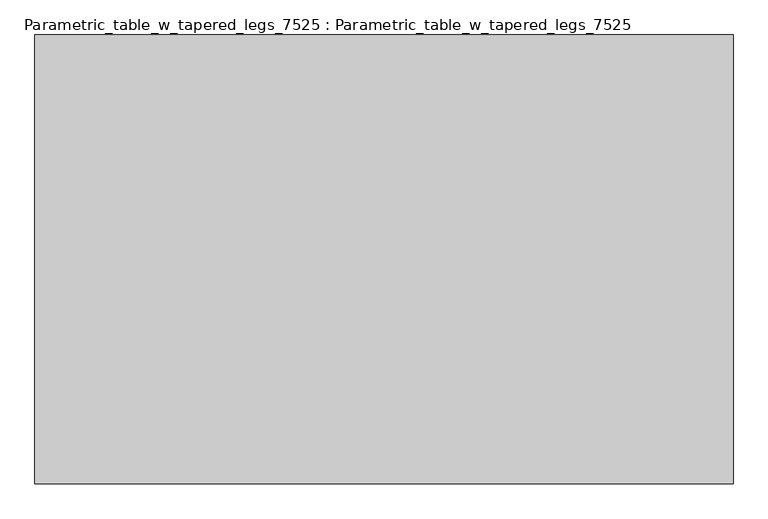
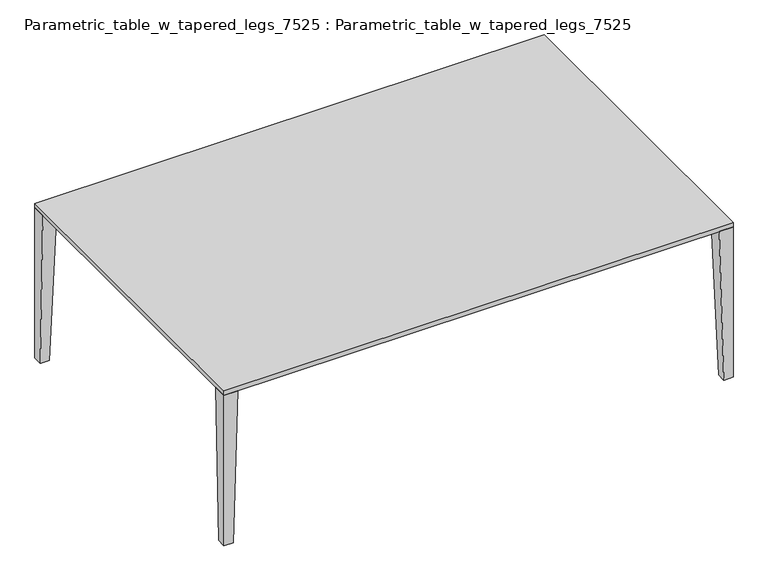
"""IFC4 building model written with IfcOpenShell, lengths in millimetres: furniture geometry, Parametric_table_w_tapered_legs_7525 : Parametric_table_w_tapered_legs_7525."""

import ifcopenshell
import ifcopenshell.guid

model = None  # the IFC model being written
_history = None  # IfcOwnerHistory: only IFC2X3 demands one
_inside = {}  # id of a spatial element -> (the spatial element, [elements in it])
_under = {}  # id of a project, library or spatial element -> (it, [spatial elements below it])
_declared = {}  # id of a project -> (the project, [libraries it declares])
_typed = {}  # id of a type object -> (the type object, [elements of that type])
_made_of = {}  # id of a material, layer set ... -> (it, [elements and type objects made of it])


def new_model(schema):
    """Start an empty IFC model of exactly this schema.

    Asked for "IFC4X3", IfcOpenShell would pick the latest addendum, in which some entities
    have other attributes; the version numbers below select the first issue.
    IFC2X3 requires an IfcOwnerHistory on every rooted entity: one is made here for all.
    """
    global model, _history
    if schema == "IFC4X3":
        model = ifcopenshell.file(schema_version=(4, 3, 0, 0))
    else:
        model = ifcopenshell.file(schema=schema)
    _inside.clear()
    _under.clear()
    _declared.clear()
    _typed.clear()
    _made_of.clear()
    _history = None
    if model.schema == "IFC2X3":
        org = make("IfcOrganization", Name="unknown")
        user = make(
            "IfcPersonAndOrganization",
            ThePerson=make("IfcPerson", FamilyName="unknown"),
            TheOrganization=org,
        )
        app = make(
            "IfcApplication",
            ApplicationDeveloper=org,
            Version="unknown",
            ApplicationFullName="unknown",
            ApplicationIdentifier="unknown",
        )
        _history = make(
            "IfcOwnerHistory",
            OwningUser=user,
            OwningApplication=app,
            ChangeAction="ADDED",
            CreationDate=0,
        )
    return model


def make(cls, **values):
    """One entity of the class cls with the attributes given. An attribute that is None is left unset."""
    return model.create_entity(
        cls, **{name: value for name, value in values.items() if value is not None}
    )


def rooted(cls, **values):
    """An entity with a GlobalId (a new one), such as an element, a storey or a relation."""
    return make(cls, GlobalId=ifcopenshell.guid.new(), OwnerHistory=_history, **values)


def si_unit(unit_type, name, prefix=None):
    """IfcSIUnit, for example si_unit("LENGTHUNIT", "METRE", prefix="MILLI")."""
    return make("IfcSIUnit", UnitType=unit_type, Prefix=prefix, Name=name)


def assignment(units):
    """IfcUnitAssignment: the units of a project."""
    return None if units is None else make("IfcUnitAssignment", Units=units)


def point(xyz):
    """IfcCartesianPoint."""
    return None if xyz is None else make("IfcCartesianPoint", Coordinates=xyz)


def direction(xyz):
    """IfcDirection."""
    return None if xyz is None else make("IfcDirection", DirectionRatios=xyz)


def frame(location, z_axis=None, x_axis=None):
    """IfcAxis2Placement3D, a coordinate frame: its origin and axes. An axis left out is left unset."""
    return make(
        "IfcAxis2Placement3D",
        Location=point(location),
        Axis=direction(z_axis),
        RefDirection=direction(x_axis),
    )


def origin():
    """The frame at (0, 0, 0) with its axes left unset."""
    return frame((0.0, 0.0, 0.0))


def place(relative_to, where):
    """IfcLocalPlacement: puts the frame where relative to a parent placement (None: the world)."""
    return make(
        "IfcLocalPlacement", PlacementRelTo=relative_to, RelativePlacement=where
    )


def context(
    kind, dimensions, precision=None, world=None, true_north=None, identifier=None
):
    """IfcGeometricRepresentationContext, for example the 3D "Model" context."""
    return make(
        "IfcGeometricRepresentationContext",
        ContextIdentifier=identifier,
        ContextType=kind,
        CoordinateSpaceDimension=dimensions,
        Precision=precision,
        WorldCoordinateSystem=world,
        TrueNorth=true_north,
    )


def project(units=None, contexts=None):
    """IfcProject with its units and contexts."""
    return rooted(
        "IfcProject",
        Name="project",
        RepresentationContexts=contexts,
        UnitsInContext=assignment(units),
    )


def spatial(cls, under=None, at=None, **own):
    """A site, building, storey or space (cls), placed at a placement, below another one or the project."""
    s = rooted(cls, ObjectPlacement=at, **own)
    if under is not None:
        _under.setdefault(under.id(), (under, []))[1].append(s)
    return s


def polyline(points):
    """IfcPolyline through the points."""
    return make("IfcPolyline", Points=[point(p) for p in points])


def outline(outer, holes=None, kind="AREA"):
    """IfcArbitraryClosedProfileDef: a profile drawn as a closed curve; with holes, ...WithVoids."""
    if holes is None:
        return make("IfcArbitraryClosedProfileDef", ProfileType=kind, OuterCurve=outer)
    return make(
        "IfcArbitraryProfileDefWithVoids",
        ProfileType=kind,
        OuterCurve=outer,
        InnerCurves=holes,
    )


def extrude(swept, where, along, depth):
    """IfcExtrudedAreaSolid: the profile swept, set in the frame where, extruded along a direction by depth."""
    return make(
        "IfcExtrudedAreaSolid",
        SweptArea=swept,
        Position=where,
        ExtrudedDirection=direction(along),
        Depth=depth,
    )


def faces_of(points, faces, orient=None, outer=None):
    """IfcFace entities. A face is a list of loops; a loop is a list of indices into points, from 0.

    orient and outer hold one flag for each loop. By default every Orientation is true, the
    first loop of a face is its IfcFaceOuterBound and the others are IfcFaceBound.
    """
    made = []
    for i, loops in enumerate(faces):
        bounds = []
        for j, loop in enumerate(loops):
            is_outer = j == 0 if outer is None else outer[i][j]
            bounds.append(
                make(
                    "IfcFaceOuterBound" if is_outer else "IfcFaceBound",
                    Bound=make("IfcPolyLoop", Polygon=[points[k] for k in loop]),
                    Orientation=True if orient is None else orient[i][j],
                )
            )
        made.append(make("IfcFace", Bounds=bounds))
    return made


def faceted_brep(points, faces, orient=None, outer=None, voids=None):
    """IfcFacetedBrep: a solid bounded by flat faces; with voids (closed shells), ...WithVoids."""
    shared = [point(p) for p in points]
    hull = make("IfcClosedShell", CfsFaces=faces_of(shared, faces, orient, outer))
    if voids is None:
        return make("IfcFacetedBrep", Outer=hull)
    return make(
        "IfcFacetedBrepWithVoids",
        Outer=hull,
        Voids=[
            make(cls, CfsFaces=faces_of(shared, fs, o, b)) for cls, fs, o, b in voids
        ],
    )


def shape(context_of_items, identifier, shape_type, items):
    """IfcShapeRepresentation: the items that make up one representation, for example the "Body"."""
    return make(
        "IfcShapeRepresentation",
        ContextOfItems=context_of_items,
        RepresentationIdentifier=identifier,
        RepresentationType=shape_type,
        Items=items,
    )


def source(mapping_origin, context_of_items, identifier, shape_type, items):
    """IfcRepresentationMap: a shape defined once, which mapped items show again and again."""
    return make(
        "IfcRepresentationMap",
        MappingOrigin=mapping_origin,
        MappedRepresentation=shape(context_of_items, identifier, shape_type, items),
    )


def transform(
    local_origin,
    x_axis=None,
    y_axis=None,
    z_axis=None,
    scale=None,
    scale2=None,
    scale3=None,
    uniform=True,
):
    """IfcCartesianTransformationOperator3D, or its non-uniform kind. x_axis, y_axis, z_axis: its Axis1, 2, 3."""
    if uniform:
        return make(
            "IfcCartesianTransformationOperator3D",
            Axis1=direction(x_axis),
            Axis2=direction(y_axis),
            LocalOrigin=point(local_origin),
            Scale=scale,
            Axis3=direction(z_axis),
        )
    return make(
        "IfcCartesianTransformationOperator3DnonUniform",
        Axis1=direction(x_axis),
        Axis2=direction(y_axis),
        LocalOrigin=point(local_origin),
        Scale=scale,
        Axis3=direction(z_axis),
        Scale2=scale2,
        Scale3=scale3,
    )


def mapped(mapping_source, mapping_target):
    """IfcMappedItem: shows the shape of a source again, moved by a transform."""
    return make(
        "IfcMappedItem", MappingSource=mapping_source, MappingTarget=mapping_target
    )


def made_of(thing, what):
    """Note that an element or type object is made of a material, layer set ...; save() writes the relation."""
    if what is not None:
        _made_of.setdefault(what.id(), (what, []))[1].append(thing)
    return thing


def element(
    cls,
    number,
    at=None,
    inside=None,
    cuts=None,
    type_object=None,
    material=None,
    context=None,
    identifier="Body",
    shape_type=None,
    held_by="IfcProductDefinitionShape",
    body=None,
    shapes=None,
    **own,
):
    """One element of the class cls, such as IfcWall. Its Tag is "e" and its number.

    at: its placement. inside: the storey or other place that contains it. cuts: it is an
    opening in that element (IfcRelVoidsElement). A single representation is given by context,
    identifier, shape_type and body (its items); several are given by shapes. held_by: the class
    of the entity that holds the representations. save() writes the other relations.
    """
    e = rooted(cls, Tag="e%d" % number, ObjectPlacement=at, **own)
    if body is not None:
        shapes = [shape(context, identifier, shape_type, body)]
    if shapes is not None:
        e.Representation = make(held_by, Representations=shapes)
    if inside is not None:
        _inside.setdefault(inside.id(), (inside, []))[1].append(e)
    if cuts is not None:
        rooted(
            "IfcRelVoidsElement", RelatingBuildingElement=cuts, RelatedOpeningElement=e
        )
    if type_object is not None:
        _typed.setdefault(type_object.id(), (type_object, []))[1].append(e)
    return made_of(e, material)


def aggregate(whole, parts):
    """IfcRelAggregates: a whole, such as a stair, and the parts it consists of."""
    return rooted("IfcRelAggregates", RelatingObject=whole, RelatedObjects=parts)


def save(model, path):
    """Write the relations noted so far, then the file.

    IfcRelAggregates (storeys below a building ...), IfcRelContainedInSpatialStructure (elements
    in a storey), IfcRelDefinesByType, IfcRelAssociatesMaterial and IfcRelDeclares: one each for
    every whole, place, type object, material and project.
    """
    for whole, parts in _under.values():
        aggregate(whole, parts)
    for where, things in _inside.values():
        rooted(
            "IfcRelContainedInSpatialStructure",
            RelatedElements=things,
            RelatingStructure=where,
        )
    for kind, things in _typed.values():
        rooted("IfcRelDefinesByType", RelatedObjects=things, RelatingType=kind)
    for what, things in _made_of.values():
        rooted("IfcRelAssociatesMaterial", RelatedObjects=things, RelatingMaterial=what)
    for by, libraries in _declared.values():
        rooted("IfcRelDeclares", RelatingContext=by, RelatedDefinitions=libraries)
    model.write(path)


def parametric_table_w_tapered_legs_7525_parametric_table_w_7339fcf5(model_context):
    return source(origin(), model_context, "Body", "SolidModel", [
        faceted_brep([(1349.2, -900.0, 0.0), (1349.2, -849.2, 0.0), (1400.0, -849.2, 0.0), (1400.0, -900.0, 0.0), (1323.8, -900.0, 874.6), (1400.0, -900.0, 874.6), (1400.0, -823.8, 874.6), (1323.8, -823.8, 874.6)], [[[0, 1, 2, 3]], [[4, 5, 6, 7]], [[4, 7, 1, 0]], [[7, 6, 2, 1]], [[6, 5, 3, 2]], [[5, 4, 0, 3]]]),
        faceted_brep([(-1349.2, -900.0, 0.0), (-1400.0, -900.0, 0.0), (-1400.0, -849.2, 0.0), (-1349.2, -849.2, 0.0), (-1323.8, -900.0, 874.6), (-1323.8, -823.8, 874.6), (-1400.0, -823.8, 874.6), (-1400.0, -900.0, 874.6)], [[[0, 1, 2, 3]], [[4, 5, 6, 7]], [[5, 4, 0, 3]], [[6, 5, 3, 2]], [[7, 6, 2, 1]], [[4, 7, 1, 0]]]),
        faceted_brep([(1349.2, 900.0, 0.0), (1400.0, 900.0, 0.0), (1400.0, 849.2, 0.0), (1349.2, 849.2, 0.0), (1323.8, 900.0, 874.6), (1323.8, 823.8, 874.6), (1400.0, 823.8, 874.6), (1400.0, 900.0, 874.6)], [[[0, 1, 2, 3]], [[4, 5, 6, 7]], [[5, 4, 0, 3]], [[6, 5, 3, 2]], [[7, 6, 2, 1]], [[4, 7, 1, 0]]]),
        faceted_brep([(-1349.2, 900.0, 0.0), (-1349.2, 849.2, 0.0), (-1400.0, 849.2, 0.0), (-1400.0, 900.0, 0.0), (-1323.8, 900.0, 874.6), (-1400.0, 900.0, 874.6), (-1400.0, 823.8, 874.6), (-1323.8, 823.8, 874.6)], [[[0, 1, 2, 3]], [[4, 5, 6, 7]], [[4, 7, 1, 0]], [[7, 6, 2, 1]], [[6, 5, 3, 2]], [[5, 4, 0, 3]]]),
        extrude(outline(polyline([(1400.0, -900.0), (-1400.0, -900.0), (-1400.0, 900.0), (1400.0, 900.0), (1400.0, -900.0)])), frame((0.0, 0.0, 874.6), z_axis=(0.0, 0.0, 1.0), x_axis=(1.0, 0.0, 0.0)), (0.0, 0.0, 1.0), 25.4),
    ])


if __name__ == "__main__":
    model = new_model("IFC4")
    model_context = context("Model", 3, world=origin())
    ifc_project = project(units=[si_unit("LENGTHUNIT", "METRE", prefix="MILLI")], contexts=[model_context])
    site = spatial("IfcSite", under=ifc_project)
    building = spatial("IfcBuilding", under=site)
    placement = place(None, origin())
    parametric_table_w_tapered_legs_7525_parametric_table_w_shape = parametric_table_w_tapered_legs_7525_parametric_table_w_7339fcf5(model_context)
    element("IfcFurniture", 1, ObjectType="Parametric_table_w_tapered_legs_7525 : Parametric_table_w_tapered_legs_7525", at=placement, inside=building, context=model_context, shape_type="MappedRepresentation", body=[
        mapped(parametric_table_w_tapered_legs_7525_parametric_table_w_shape, transform((0.0, 0.0, 0.0), x_axis=(1.0, 0.0, 0.0), y_axis=(0.0, 1.0, 0.0), z_axis=(0.0, 0.0, 1.0))),
    ])
    save(model, "model.ifc")
